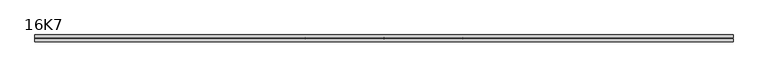
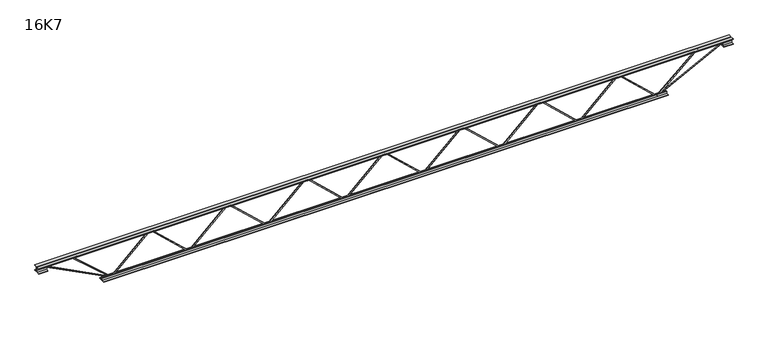
"""IFC4 building model written with IfcOpenShell, lengths in millimetres: beam geometry, 16K7."""

from ifc_helpers import new_model, si_unit, frame, origin, place, context, project, spatial, polyline, outline, extrude, source, transform, mapped, element, save


def beam_16k7_522616b7(model_context):
    return source(origin(), model_context, "Body", "SweptSolid", [
        extrude(outline(polyline([(-191.9, 1280.3571429), (-201.4, 1280.3571429), (-201.4, 1285.4075314), (191.9, 1705.8432456), (191.9, 1708.4424686), (-201.4, 2128.8781829), (-201.4, 2133.9285714), (-191.9, 2133.9285714), (-191.9, 2132.6289599), (201.4, 1712.1932456), (201.4, 1702.0924686), (-191.9, 1281.6567544), (-191.9, 1280.3571429)])), frame((0.0, -4.75, 0.0), z_axis=(0.0, 1.0, 0.0), x_axis=(0.0, 0.0, 1.0)), (0.0, 0.0, 1.0), 9.5),
        extrude(outline(polyline([(-191.9, 426.7857143), (-201.4, 426.7857143), (-201.4, 431.8361028), (191.9, 852.2718171), (191.9, 854.8710401), (-201.4, 1275.3067544), (-201.4, 1280.3571429), (-191.9, 1280.3571429), (-191.9, 1279.0575314), (201.4, 858.6218171), (201.4, 848.5210401), (-191.9, 428.0853258), (-191.9, 426.7857143)])), frame((0.0, -4.75, 0.0), z_axis=(0.0, 1.0, 0.0), x_axis=(0.0, 0.0, 1.0)), (0.0, 0.0, 1.0), 9.5),
        extrude(outline(polyline([(-191.9, -426.7857143), (-201.4, -426.7857143), (-201.4, -421.7353258), (191.9, -1.2996115), (191.9, 1.2996115), (-201.4, 421.7353258), (-201.4, 426.7857143), (-191.9, 426.7857143), (-191.9, 425.4861028), (201.4, 5.0503885), (201.4, -5.0503885), (-191.9, -425.4861028), (-191.9, -426.7857143)])), frame((0.0, -4.75, 0.0), z_axis=(0.0, 1.0, 0.0), x_axis=(0.0, 0.0, 1.0)), (0.0, 0.0, 1.0), 9.5),
        extrude(outline(polyline([(-191.9, -1280.3571429), (-201.4, -1280.3571429), (-201.4, -1275.3067544), (191.9, -854.8710401), (191.9, -852.2718171), (-201.4, -431.8361028), (-201.4, -426.7857143), (-191.9, -426.7857143), (-191.9, -428.0853258), (201.4, -848.5210401), (201.4, -858.6218171), (-191.9, -1279.0575314), (-191.9, -1280.3571429)])), frame((0.0, -4.75, 0.0), z_axis=(0.0, 1.0, 0.0), x_axis=(0.0, 0.0, 1.0)), (0.0, 0.0, 1.0), 9.5),
        extrude(outline(polyline([(-191.9, -2133.9285714), (-201.4, -2133.9285714), (-201.4, -2128.8781829), (191.9, -1708.4424686), (191.9, -1705.8432456), (-201.4, -1285.4075314), (-201.4, -1280.3571429), (-191.9, -1280.3571429), (-191.9, -1281.6567544), (201.4, -1702.0924686), (201.4, -1712.1932456), (-191.9, -2132.6289599), (-191.9, -2133.9285714)])), frame((0.0, -4.75, 0.0), z_axis=(0.0, 1.0, 0.0), x_axis=(0.0, 0.0, 1.0)), (0.0, 0.0, 1.0), 9.5),
        extrude(outline(polyline([(-191.9, 2133.9285714), (-201.4, 2133.9285714), (-201.4, 2138.9789599), (191.9, 2559.4146742), (191.9, 2562.0138972), (-201.4, 2982.4496115), (-201.4, 2987.5), (-191.9, 2987.5), (-191.9, 2986.2003885), (201.4, 2565.7646742), (201.4, 2555.6638972), (-191.9, 2135.2281829), (-191.9, 2133.9285714)])), frame((0.0, -4.75, 0.0), z_axis=(0.0, 1.0, 0.0), x_axis=(0.0, 0.0, 1.0)), (0.0, 0.0, 1.0), 9.5),
        extrude(outline(polyline([(-191.9, -2987.5), (-201.4, -2987.5), (-201.4, -2982.4496115), (191.9, -2562.0138972), (191.9, -2559.4146742), (-201.4, -2138.9789599), (-201.4, -2133.9285714), (-191.9, -2133.9285714), (-191.9, -2135.2281829), (201.4, -2555.6638972), (201.4, -2565.7646742), (-191.9, -2986.2003885), (-191.9, -2987.5)])), frame((0.0, -4.75, 0.0), z_axis=(0.0, 1.0, 0.0), x_axis=(0.0, 0.0, 1.0)), (0.0, 0.0, 1.0), 9.5),
        extrude(outline(polyline([(4.75, 203.0), (36.75, 203.0), (36.75, 196.5), (11.25, 196.5), (11.25, 171.0), (4.75, 171.0), (4.75, 203.0)])), frame((-3799.5, 0.0, 0.0), z_axis=(1.0, 0.0, 0.0), x_axis=(0.0, 1.0, 0.0)), (0.0, 0.0, 1.0), 7599.0),
        extrude(outline(polyline([(-4.75, 203.0), (-4.75, 171.0), (-11.25, 171.0), (-11.25, 196.5), (-36.75, 196.5), (-36.75, 203.0), (-4.75, 203.0)])), frame((-3799.5, 0.0, 0.0), z_axis=(1.0, 0.0, 0.0), x_axis=(0.0, 1.0, 0.0)), (0.0, 0.0, 1.0), 7599.0),
        extrude(outline(polyline([(-4.75, 139.5), (-36.75, 139.5), (-36.75, 146.0), (-11.25, 146.0), (-11.25, 171.0), (-4.75, 171.0), (-4.75, 139.5)])), frame((-3799.5, 0.0, 0.0), z_axis=(1.0, 0.0, 0.0), x_axis=(0.0, 1.0, 0.0)), (0.0, 0.0, 1.0), 100.0),
        extrude(outline(polyline([(36.75, 139.5), (4.75, 139.5), (4.75, 171.0), (11.25, 171.0), (11.25, 146.0), (36.75, 146.0), (36.75, 139.5)])), frame((-3799.5, 0.0, 0.0), z_axis=(1.0, 0.0, 0.0), x_axis=(0.0, 1.0, 0.0)), (0.0, 0.0, 1.0), 100.0),
        extrude(outline(polyline([(4.75, 139.5), (4.75, 171.0), (11.25, 171.0), (11.25, 146.0), (36.75, 146.0), (36.75, 139.5), (4.75, 139.5)])), frame((3699.5, 0.0, 0.0), z_axis=(1.0, 0.0, 0.0), x_axis=(0.0, 1.0, 0.0)), (0.0, 0.0, 1.0), 100.0),
        extrude(outline(polyline([(-4.75, 139.5), (-36.75, 139.5), (-36.75, 146.0), (-11.25, 146.0), (-11.25, 171.0), (-4.75, 171.0), (-4.75, 139.5)])), frame((3699.5, 0.0, 0.0), z_axis=(1.0, 0.0, 0.0), x_axis=(0.0, 1.0, 0.0)), (0.0, 0.0, 1.0), 100.0),
        extrude(outline(polyline([(4.75, -203.0), (4.75, -171.0), (11.25, -171.0), (11.25, -196.5), (36.75, -196.5), (36.75, -203.0), (4.75, -203.0)])), frame((-3087.5, 0.0, 0.0), z_axis=(1.0, 0.0, 0.0), x_axis=(0.0, 1.0, 0.0)), (0.0, 0.0, 1.0), 6175.0),
        extrude(outline(polyline([(-4.75, -203.0), (-36.75, -203.0), (-36.75, -196.5), (-11.25, -196.5), (-11.25, -171.0), (-4.75, -171.0), (-4.75, -203.0)])), frame((-3087.5, 0.0, 0.0), z_axis=(1.0, 0.0, 0.0), x_axis=(0.0, 1.0, 0.0)), (0.0, 0.0, 1.0), 6175.0),
        extrude(outline(polyline([(-200.8705467, -2989.6793315), (-192.4294533, -2985.3206685), (175.75, -3698.3460208), (175.75, -3799.5), (166.25, -3799.5), (166.25, -3700.6539792), (-200.8705467, -2989.6793315)])), frame((0.0, -4.75, 0.0), z_axis=(0.0, 1.0, 0.0), x_axis=(0.0, 0.0, 1.0)), (0.0, 0.0, 1.0), 9.5),
        extrude(outline(polyline([(188.7, -3434.2428571), (179.2, -3434.2428571), (179.2, -3423.3304703), (-200.2214241, -2990.6316816), (-193.0785759, -2984.3683184), (188.7, -3419.7552439), (188.7, -3434.2428571)])), frame((0.0, -4.75, 0.0), z_axis=(0.0, 1.0, 0.0), x_axis=(0.0, 0.0, 1.0)), (0.0, 0.0, 1.0), 9.5),
        extrude(outline(polyline([(0.0, -9.5), (0.0, 0.0), (801.3179909, 0.0), (801.3179909, -9.5), (0.0, -9.5)])), frame((3701.6793315, -4.75, 166.7794533), z_axis=(-0.4588066213244955, 0.0, 0.8885361468329812), x_axis=(-0.8885361468329812, 0.0, -0.4588066213244955)), (0.0, 0.0, 1.0), 9.5),
        extrude(outline(polyline([(0.0, -9.5), (0.0, 0.0), (591.1265347, 0.0), (591.1265347, -9.5), (0.0, -9.5)])), frame((3431.960364, -4.75, 193.1039318), z_axis=(-0.665339782479355, 0.0, 0.7465406712633442), x_axis=(-0.7465406712633442, 0.0, -0.665339782479355)), (0.0, 0.0, 1.0), 9.5),
    ])


if __name__ == "__main__":
    model = new_model("IFC4")
    model_context = context("Model", 3, world=origin())
    ifc_project = project(units=[si_unit("LENGTHUNIT", "METRE", prefix="MILLI")], contexts=[model_context])
    site = spatial("IfcSite", under=ifc_project)
    building = spatial("IfcBuilding", under=site)
    placement = place(None, origin())
    beam_16k7_shape = beam_16k7_522616b7(model_context)
    element("IfcBeam", 1, ObjectType="16K7", at=placement, inside=building, context=model_context, shape_type="MappedRepresentation", body=[
        mapped(beam_16k7_shape, transform((0.0, 0.0, 0.0), x_axis=(1.0, 0.0, 0.0), y_axis=(0.0, 1.0, 0.0), z_axis=(0.0, 0.0, 1.0))),
    ])
    save(model, "model.ifc")
